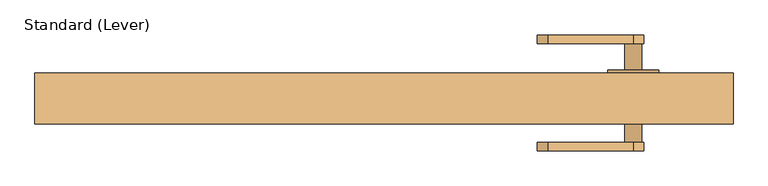
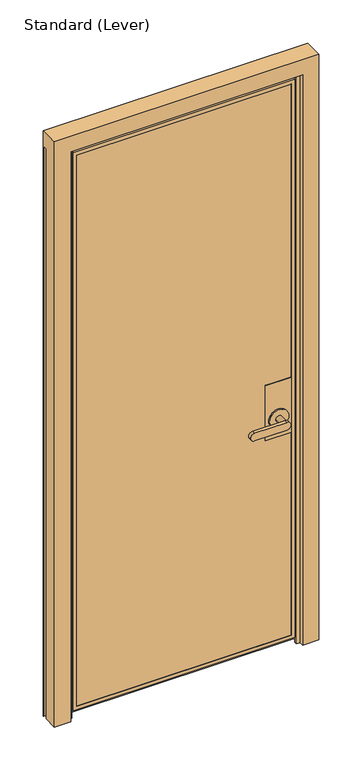
"""IFC4 building model written with IfcOpenShell, lengths in millimetres: door geometry, Standard (Lever)."""

from ifc_helpers import new_model, si_unit, frame, origin, place, context, project, spatial, polyline, circle_curve, outline, extrude, faceted_brep, source, transform, mapped, element, save
from ifc_brep_helpers import plane_surface, cylinder_surface, advanced_brep


def standard_lever_3caf377e(model_context):
    return source(origin(), model_context, "Body", "SolidModel", [
        faceted_brep([(422.275, -9.525, 1117.6), (422.275, 26.9875, 1117.6), (320.675, 26.9875, 1117.6), (320.675, -9.525, 1117.6), (422.275, -9.525, 889.0), (320.675, -9.525, 889.0), (320.675, 26.9875, 889.0), (422.275, 26.9875, 889.0)], [[[0, 1, 2, 3]], [[4, 5, 6, 7]], [[1, 0, 4, 7]], [[2, 1, 7, 6]], [[3, 2, 6, 5]], [[0, 3, 5, 4]]]),
        advanced_brep(
        [(422.275, 36.5125, 1117.6), (422.275, 38.1, 1117.6), (320.675, 38.1, 1117.6), (320.675, 36.5125, 1117.6), (422.275, 36.5125, 889.0), (320.675, 36.5125, 889.0), (320.675, 38.1, 889.0), (422.275, 38.1, 889.0), (333.375, 38.1, 965.2), (409.575, 38.1, 965.2), (409.575, 42.8625, 965.2), (333.375, 42.8625, 965.2), (358.775, 42.8625, 965.2), (384.175, 42.8625, 965.2), (384.175, 82.55, 965.2), (358.775, 82.55, 965.2), (244.475, 95.25, 949.325), (244.475, 95.25, 981.075), (371.475, 95.25, 981.075), (371.475, 95.25, 949.325), (244.475, 82.55, 949.325), (371.475, 82.55, 949.325), (371.475, 82.55, 981.075), (244.475, 82.55, 981.075)],
        [
            (0, 1),
            (1, 2),
            (2, 3),
            (3, 0),
            (4, 5),
            (5, 6),
            (6, 7),
            (7, 4),
            (0, 4),
            (7, 1),
            (6, 2),
            (8, 9, circle_curve(frame((371.475, 38.1, 965.2), z_axis=(0.0, -1.0, 0.0), x_axis=(-1.0, 0.0, 0.0)), 38.1)),
            (9, 8, circle_curve(frame((371.475, 38.1, 965.2), z_axis=(0.0, -1.0, 0.0), x_axis=(-1.0, 0.0, 0.0)), 38.1)),
            (5, 3),
            (10, 11, circle_curve(frame((371.475, 42.8625, 965.2), z_axis=(0.0, 1.0, 0.0), x_axis=(-1.0, 0.0, 0.0)), 38.1)),
            (11, 10, circle_curve(frame((371.475, 42.8625, 965.2), z_axis=(0.0, 1.0, 0.0), x_axis=(-1.0, 0.0, 0.0)), 38.1)),
            (12, 13, circle_curve(frame((371.475, 42.8625, 965.2), z_axis=(0.0, -1.0, 0.0), x_axis=(-1.0, 0.0, 0.0)), 12.7)),
            (13, 12, circle_curve(frame((371.475, 42.8625, 965.2), z_axis=(0.0, -1.0, 0.0), x_axis=(-1.0, 0.0, 0.0)), 12.7)),
            (10, 9),
            (8, 11),
            (14, 13),
            (12, 15),
            (15, 14, circle_curve(frame((371.475, 82.55, 965.2), z_axis=(0.0, -1.0, 0.0), x_axis=(-1.0, 0.0, 0.0)), 12.7)),
            (14, 15, circle_curve(frame((371.475, 82.55, 965.2), z_axis=(0.0, -1.0, 0.0), x_axis=(-1.0, 0.0, 0.0)), 12.7)),
            (16, 17, circle_curve(frame((244.475, 95.25, 965.2), z_axis=(0.0, 1.0, 0.0), x_axis=(-1.0, 0.0, 0.0)), 15.875)),
            (17, 18),
            (18, 19, circle_curve(frame((371.475, 95.25, 965.2), z_axis=(0.0, 1.0, 0.0), x_axis=(-1.0, 0.0, 0.0)), 15.875)),
            (19, 16),
            (20, 21),
            (21, 22, circle_curve(frame((371.475, 82.55, 965.2), z_axis=(0.0, -1.0, 0.0), x_axis=(-1.0, 0.0, 0.0)), 15.875)),
            (22, 23),
            (23, 20, circle_curve(frame((244.475, 82.55, 965.2), z_axis=(0.0, -1.0, 0.0), x_axis=(-1.0, 0.0, 0.0)), 15.875)),
            (16, 20),
            (23, 17),
            (22, 18),
            (21, 19),
        ],
        [
            plane_surface(frame((422.275, -20.6375, 1117.6), z_axis=(0.0, 0.0, 1.0), x_axis=(0.0, 1.0, 0.0))),
            plane_surface(frame((422.275, -20.6375, 889.0), z_axis=(0.0, 0.0, -1.0), x_axis=(0.0, -1.0, 0.0))),
            plane_surface(frame((422.275, 36.5125, 1117.6), z_axis=(1.0, 0.0, 0.0), x_axis=(0.0, 0.0, -1.0))),
            plane_surface(frame((422.275, 38.1, 1117.6), z_axis=(0.0, 1.0, 0.0), x_axis=(0.0, 0.0, -1.0))),
            plane_surface(frame((320.675, 38.1, 1117.6), z_axis=(-1.0, 0.0, 0.0), x_axis=(0.0, 0.0, -1.0))),
            plane_surface(frame((320.675, 36.5125, 1117.6), z_axis=(0.0, -1.0, 0.0), x_axis=(0.0, 0.0, -1.0))),
            plane_surface(frame((333.375, 42.8625, 965.2), z_axis=(0.0, 1.0, 0.0), x_axis=(0.0, 0.0, 1.0))),
            cylinder_surface(frame((371.475, 38.1, 965.2), z_axis=(0.0, 1.0, 0.0), x_axis=(-1.0, 0.0, 0.0)), 38.1),
            cylinder_surface(frame((371.475, 38.1, 965.2), z_axis=(0.0, 1.0, 0.0), x_axis=(-1.0, 0.0, 0.0)), 12.7),
            plane_surface(frame((228.6, 95.25, 965.2), z_axis=(0.0, 1.0, 0.0), x_axis=(0.0, 0.0, 1.0))),
            plane_surface(frame((228.6, 82.55, 965.2), z_axis=(0.0, -1.0, 0.0), x_axis=(0.0, 0.0, -1.0))),
            cylinder_surface(frame((244.475, 82.55, 965.2), z_axis=(0.0, 1.0, 0.0), x_axis=(-1.0, 0.0, 0.0)), 15.875),
            plane_surface(frame((244.475, 95.25, 981.075), z_axis=(0.0, 0.0, 1.0), x_axis=(0.0, -1.0, 0.0))),
            cylinder_surface(frame((371.475, 82.55, 965.2), z_axis=(0.0, 1.0, 0.0), x_axis=(-1.0, 0.0, 0.0)), 15.875),
            plane_surface(frame((371.475, 95.25, 949.325), z_axis=(0.0, 0.0, -1.0), x_axis=(0.0, -1.0, 0.0))),
        ],
        [
            (0, [[1, 2, 3, 4]]),
            (1, [[5, 6, 7, 8]]),
            (2, [[-1, 9, -8, 10]]),
            (3, [[-2, -10, -7, 11], [12, 13]]),
            (4, [[-3, -11, -6, 14]]),
            (5, [[-4, -14, -5, -9]]),
            (6, [[15, 16], [17, 18]]),
            (7, [[-15, 19, -12, 20]]),
            (7, [[-16, -20, -13, -19]]),
            (8, [[21, -17, 22, 23]]),
            (8, [[-21, 24, -22, -18]]),
            (9, [[25, 26, 27, 28]]),
            (10, [[29, 30, 31, 32], [-23, -24]]),
            (11, [[-25, 33, -32, 34]]),
            (12, [[-26, -34, -31, 35]]),
            (13, [[-27, -35, -30, 36]]),
            (14, [[-28, -36, -29, -33]]),
        ],
    ),
        advanced_brep(
        [(422.275, -20.6375, 1117.6), (422.275, -19.05, 1117.6), (320.737178, -19.05, 1117.6), (320.737178, -20.6375, 1117.6), (422.275, -20.6375, 889.0), (320.737178, -20.6375, 889.0), (320.737178, -19.05, 889.0), (422.275, -19.05, 889.0), (384.175, -25.4, 965.2), (384.175, -65.0875, 965.2), (358.775, -65.0875, 965.2), (358.775, -25.4, 965.2), (409.575, -25.4, 965.2), (333.375, -25.4, 965.2), (333.375, -20.6375, 965.2), (409.575, -20.6375, 965.2), (371.475, -65.0875, 949.325), (244.475, -65.0875, 949.325), (244.475, -65.0875, 981.075), (371.475, -65.0875, 981.075), (371.475, -77.7875, 949.325), (371.475, -77.7875, 981.075), (244.475, -77.7875, 981.075), (244.475, -77.7875, 949.325)],
        [
            (0, 1),
            (1, 2),
            (2, 3),
            (3, 0),
            (4, 5),
            (5, 6),
            (6, 7),
            (7, 4),
            (8, 9),
            (9, 10, circle_curve(frame((371.475, -65.0875, 965.2), z_axis=(0.0, 1.0, 0.0), x_axis=(-1.0, 0.0, 0.0)), 12.7)),
            (10, 11),
            (11, 8, circle_curve(frame((371.475, -25.4, 965.2), z_axis=(0.0, -1.0, 0.0), x_axis=(-1.0, 0.0, 0.0)), 12.7)),
            (8, 11, circle_curve(frame((371.475, -25.4, 965.2), z_axis=(0.0, -1.0, 0.0), x_axis=(-1.0, 0.0, 0.0)), 12.7)),
            (10, 9, circle_curve(frame((371.475, -65.0875, 965.2), z_axis=(0.0, 1.0, 0.0), x_axis=(-1.0, 0.0, 0.0)), 12.7)),
            (12, 13, circle_curve(frame((371.475, -25.4, 965.2), z_axis=(0.0, -1.0, 0.0), x_axis=(-1.0, 0.0, 0.0)), 38.1)),
            (13, 12, circle_curve(frame((371.475, -25.4, 965.2), z_axis=(0.0, -1.0, 0.0), x_axis=(-1.0, 0.0, 0.0)), 38.1)),
            (13, 14),
            (14, 15, circle_curve(frame((371.475, -20.6375, 965.2), z_axis=(0.0, -1.0, 0.0), x_axis=(-1.0, 0.0, 0.0)), 38.1)),
            (15, 12),
            (15, 14, circle_curve(frame((371.475, -20.6375, 965.2), z_axis=(0.0, -1.0, 0.0), x_axis=(-1.0, 0.0, 0.0)), 38.1)),
            (16, 17),
            (17, 18, circle_curve(frame((244.475, -65.0875, 965.2), z_axis=(0.0, 1.0, 0.0), x_axis=(-1.0, 0.0, 0.0)), 15.875)),
            (18, 19),
            (19, 16, circle_curve(frame((371.475, -65.0875, 965.2), z_axis=(0.0, 1.0, 0.0), x_axis=(-1.0, 0.0, 0.0)), 15.875)),
            (20, 21, circle_curve(frame((371.475, -77.7875, 965.2), z_axis=(0.0, -1.0, 0.0), x_axis=(-1.0, 0.0, 0.0)), 15.875)),
            (21, 22),
            (22, 23, circle_curve(frame((244.475, -77.7875, 965.2), z_axis=(0.0, -1.0, 0.0), x_axis=(-1.0, 0.0, 0.0)), 15.875)),
            (23, 20),
            (16, 20),
            (23, 17),
            (22, 18),
            (21, 19),
            (0, 4),
            (7, 1),
            (6, 2),
            (5, 3),
        ],
        [
            plane_surface(frame((422.275, -20.6375, 1117.6), z_axis=(0.0, 0.0, 1.0), x_axis=(0.0, 1.0, 0.0))),
            plane_surface(frame((422.275, -20.6375, 889.0), z_axis=(0.0, 0.0, -1.0), x_axis=(0.0, -1.0, 0.0))),
            cylinder_surface(frame((371.475, -65.0875, 965.2), z_axis=(0.0, 1.0, 0.0), x_axis=(-1.0, 0.0, 0.0)), 12.7),
            plane_surface(frame((333.375, -25.4, 965.2), z_axis=(0.0, -1.0, 0.0), x_axis=(0.0, 0.0, -1.0))),
            cylinder_surface(frame((371.475, -25.4, 965.2), z_axis=(0.0, 1.0, 0.0), x_axis=(-1.0, 0.0, 0.0)), 38.1),
            plane_surface(frame((371.475, -65.0875, 949.325), z_axis=(0.0, 1.0, 0.0), x_axis=(-1.0, 0.0, 0.0))),
            plane_surface(frame((371.475, -77.7875, 949.325), z_axis=(0.0, -1.0, 0.0), x_axis=(1.0, 0.0, 0.0))),
            plane_surface(frame((371.475, -65.0875, 949.325), z_axis=(0.0, 0.0, -1.0), x_axis=(0.0, -1.0, 0.0))),
            cylinder_surface(frame((244.475, -77.7875, 965.2), z_axis=(0.0, 1.0, 0.0), x_axis=(-1.0, 0.0, 0.0)), 15.875),
            plane_surface(frame((244.475, -65.0875, 981.075), z_axis=(0.0, 0.0, 1.0), x_axis=(0.0, -1.0, 0.0))),
            cylinder_surface(frame((371.475, -77.7875, 965.2), z_axis=(0.0, 1.0, 0.0), x_axis=(-1.0, 0.0, 0.0)), 15.875),
            plane_surface(frame((422.275, -20.6375, 1117.6), z_axis=(1.0, 0.0, 0.0), x_axis=(0.0, 0.0, -1.0))),
            plane_surface(frame((422.275, -19.05, 1117.6), z_axis=(0.0, 1.0, 0.0), x_axis=(0.0, 0.0, -1.0))),
            plane_surface(frame((320.737178, -19.05, 1117.6), z_axis=(-1.0, 0.0, 0.0), x_axis=(0.0, 0.0, -1.0))),
            plane_surface(frame((320.737178, -20.6375, 1117.6), z_axis=(0.0, -1.0, 0.0), x_axis=(0.0, 0.0, -1.0))),
        ],
        [
            (0, [[1, 2, 3, 4]]),
            (1, [[5, 6, 7, 8]]),
            (2, [[9, 10, 11, 12]]),
            (2, [[-9, 13, -11, 14]]),
            (3, [[15, 16], [-12, -13]]),
            (4, [[-16, 17, 18, 19]]),
            (4, [[-15, -19, 20, -17]]),
            (5, [[21, 22, 23, 24], [-10, -14]]),
            (6, [[25, 26, 27, 28]]),
            (7, [[-21, 29, -28, 30]]),
            (8, [[-22, -30, -27, 31]]),
            (9, [[-23, -31, -26, 32]]),
            (10, [[-24, -32, -25, -29]]),
            (11, [[-1, 33, -8, 34]]),
            (12, [[-2, -34, -7, 35]]),
            (13, [[-3, -35, -6, 36]]),
            (14, [[-4, -36, -5, -33], [-18, -20]]),
        ],
    ),
        extrude(outline(polyline([(434.975, 36.5125), (434.975, 26.9875), (-434.975, 26.9875), (-434.975, 36.5125), (434.975, 36.5125)])), frame((0.0, 0.0, 30.1625), z_axis=(0.0, 0.0, 1.0), x_axis=(1.0, 0.0, 0.0)), (0.0, 0.0, 1.0), 2320.925),
        extrude(outline(polyline([(-434.975, -9.525), (434.975, -9.525), (434.975, -19.05), (-434.975, -19.05), (-434.975, -9.525)])), frame((0.0, 0.0, 30.1625), z_axis=(0.0, 0.0, 1.0), x_axis=(1.0, 0.0, 0.0)), (0.0, 0.0, 1.0), 2320.925),
        faceted_brep([(-434.975, 36.5125, 2351.0875), (-434.975, 26.9875, 2351.0875), (-434.975, 26.9875, 30.1625), (-434.975, 36.5125, 30.1625), (434.975, 26.9875, 2351.0875), (434.975, 26.9875, 30.1625), (-422.275, 26.9875, 42.8625), (422.275, 26.9875, 42.8625), (422.275, 26.9875, 2338.3875), (-422.275, 26.9875, 2338.3875), (434.975, 36.5125, 30.1625), (434.975, 36.5125, 2351.0875), (-422.275, 36.5125, 2338.3875), (422.275, 36.5125, 2338.3875), (422.275, 36.5125, 42.8625), (-422.275, 36.5125, 42.8625), (-422.275, 38.1, 2338.3875), (-422.275, 38.1, 42.8625), (422.275, 38.1, 42.8625), (-452.4375, 38.1, 2368.55), (452.4375, 38.1, 2368.55), (452.4375, 38.1, 12.7), (-452.4375, 38.1, 12.7), (422.275, 38.1, 2338.3875), (-452.4375, -6.35, 2368.55), (-452.4375, -6.35, 12.7), (452.4375, -6.35, 12.7), (452.4375, -6.35, 2368.55), (436.5625, -6.35, 2352.675), (436.5625, -6.35, 28.575), (-436.5625, -6.35, 28.575), (-436.5625, -6.35, 2352.675), (-422.275, -9.525, 2338.3875), (-422.275, -9.525, 42.8625), (-434.975, -9.525, 2351.0875), (-434.975, -9.525, 30.1625), (434.975, -9.525, 30.1625), (434.975, -9.525, 2351.0875), (422.275, -9.525, 2338.3875), (422.275, -9.525, 42.8625), (422.275, -19.05, 42.8625), (422.275, -20.6375, 42.8625), (422.275, -20.6375, 2338.3875), (422.275, -19.05, 2338.3875), (-436.5625, -20.6375, 28.575), (436.5625, -20.6375, 28.575), (436.5625, -20.6375, 2352.675), (-436.5625, -20.6375, 2352.675), (-422.275, -20.6375, 2338.3875), (-422.275, -20.6375, 42.8625), (-422.275, -19.05, 42.8625), (-422.275, -19.05, 2338.3875), (-434.975, -19.05, 2351.0875), (-434.975, -19.05, 30.1625), (434.975, -19.05, 2351.0875), (434.975, -19.05, 30.1625)], [[[0, 1, 2, 3]], [[1, 4, 5, 2], [6, 7, 8, 9]], [[3, 2, 5, 10]], [[3, 10, 11, 0], [12, 13, 14, 15]], [[16, 12, 15, 17]], [[17, 15, 14, 18]], [[19, 20, 21, 22], [17, 18, 23, 16]], [[24, 19, 22, 25]], [[25, 22, 21, 26]], [[24, 25, 26, 27], [28, 29, 30, 31]], [[10, 5, 4, 11]], [[18, 14, 13, 23]], [[26, 21, 20, 27]], [[9, 32, 33, 6]], [[34, 35, 36, 37], [38, 39, 33, 32]], [[6, 33, 39, 7]], [[7, 39, 38, 8]], [[40, 41, 42, 43]], [[44, 45, 46, 47], [48, 42, 41, 49]], [[50, 49, 41, 40]], [[51, 48, 49, 50]], [[44, 30, 29, 45]], [[45, 29, 28, 46]], [[47, 31, 30, 44]], [[34, 52, 53, 35]], [[54, 55, 53, 52], [51, 50, 40, 43]], [[35, 53, 55, 36]], [[36, 55, 54, 37]], [[11, 4, 1, 0]], [[23, 13, 12, 16]], [[27, 20, 19, 24]], [[8, 38, 32, 9]], [[43, 42, 48, 51]], [[46, 28, 31, 47]], [[37, 54, 52, 34]]]),
        faceted_brep([(457.2, -20.6375, 0.0), (442.9125, -20.6375, 0.0), (442.9125, -9.525, 0.0), (457.2, -9.525, 0.0), (457.2, 38.1, 0.0), (520.6999977, 38.1, 0.0), (520.6999977, 36.5125, 0.0), (519.1124977, 36.5125, 0.0), (519.1124977, 37.30625, 0.0), (488.95, 37.30625, 0.0), (488.95, 19.05, 0.0), (510.3742434, 19.05, 0.0), (511.374256, 18.0499874, 0.0), (509.8000186, 18.0499874, 0.0), (509.8000186, 16.24994, 0.0), (514.8000134, 16.24994, 0.0), (514.8000134, 18.0499874, 0.0), (513.2257405, 18.0499874, 0.0), (514.2257562, 19.0500031, 0.0), (520.7, 19.0500031, 0.0), (520.7, -38.1, 0.0), (457.2, -38.1, 0.0), (520.7, 19.0500031, 2374.9), (520.7, 36.5125, 2374.9), (520.7, 38.1, 2438.4), (520.7, -38.1, 2438.4), (514.2257562, 19.0500031, 2374.9), (519.1124977, 36.5125, 2374.9), (457.2, 38.1, 2374.9), (-457.2, 38.1, 2374.9), (-457.2, 38.1, 0.0), (-520.6999977, 38.1, 0.0), (-520.7, 38.1, 2438.4), (-520.7, -38.1, 2438.4), (-520.7, -38.1, 0.0), (-457.2, -38.1, 0.0), (-457.2, -38.1, 2374.9), (457.2, -38.1, 2374.9), (-457.2, -20.6375, 0.0), (-520.7, 19.0500031, 0.0), (-514.2257562, 19.0500031, 0.0), (-513.2257405, 18.0499874, 0.0), (-514.8000134, 18.0499874, 0.0), (-514.8000134, 16.24994, 0.0), (-509.8000186, 16.24994, 0.0), (-509.8000186, 18.0499874, 0.0), (-511.374256, 18.0499874, 0.0), (-510.3742434, 19.05, 0.0), (-488.95, 19.05, 0.0), (-488.95, 37.30625, 0.0), (-519.1124977, 37.30625, 0.0), (-519.1124977, 36.5125, 0.0), (-520.6999977, 36.5125, 0.0), (-457.2, -9.525, 0.0), (-442.9125, -9.525, 0.0), (-442.9125, -20.6375, 0.0), (-520.7, 36.5125, 2374.9), (-520.7, 19.0500031, 2374.9), (-519.1124977, 36.5125, 2374.9), (-514.2257562, 19.0500031, 2374.9), (457.2, -9.525, 2374.9), (-457.2, -9.525, 2374.9), (-457.2, -20.6375, 2374.9), (-513.2257405, 18.0499874, 2374.9), (-514.8000134, 18.0499874, 2374.9), (-514.8000134, 16.24994, 2374.9), (-509.8000186, 16.24994, 2374.9), (-509.8000186, 18.0499874, 2374.9), (-511.374256, 18.0499874, 2374.9), (-510.3742434, 19.05, 2374.9), (-488.95, 19.05, 2374.9), (-488.95, 37.30625, 2374.9), (-519.1124977, 37.30625, 2374.9), (442.9125, -9.525, 2360.6125), (-442.9125, -9.525, 2360.6125), (-442.9125, -20.6375, 2360.6125), (442.9125, -20.6375, 2360.6125), (457.2, -20.6375, 2374.9), (519.1124977, 37.30625, 2374.9), (488.95, 37.30625, 2374.9), (488.95, 19.05, 2374.9), (510.3742434, 19.05, 2374.9), (511.374256, 18.0499874, 2374.9), (509.8000186, 18.0499874, 2374.9), (509.8000186, 16.24994, 2374.9), (514.8000134, 16.24994, 2374.9), (514.8000134, 18.0499874, 2374.9), (513.2257405, 18.0499874, 2374.9)], [[[0, 1, 2, 3, 4, 5, 6, 7, 8, 9, 10, 11, 12, 13, 14, 15, 16, 17, 18, 19, 20, 21]], [[20, 19, 22, 23, 6, 5, 24, 25]], [[19, 18, 26, 22]], [[7, 6, 23, 27]], [[24, 5, 4, 28, 29, 30, 31, 32]], [[20, 25, 33, 34, 35, 36, 37, 21]], [[38, 35, 34, 39, 40, 41, 42, 43, 44, 45, 46, 47, 48, 49, 50, 51, 52, 31, 30, 53, 54, 55]], [[39, 34, 33, 32, 31, 52, 56, 57]], [[52, 51, 58, 56]], [[40, 39, 57, 59]], [[4, 3, 60, 28]], [[53, 30, 29, 61]], [[35, 38, 62, 36]], [[41, 40, 59, 63]], [[42, 41, 63, 64]], [[43, 42, 64, 65]], [[44, 43, 65, 66]], [[45, 44, 66, 67]], [[46, 45, 67, 68]], [[47, 46, 68, 69]], [[48, 47, 69, 70]], [[49, 48, 70, 71]], [[50, 49, 71, 72]], [[51, 50, 72, 58]], [[54, 53, 61, 60, 3, 2, 73, 74]], [[55, 54, 74, 75]], [[38, 55, 75, 76, 1, 0, 77, 62]], [[2, 1, 76, 73]], [[8, 7, 27, 78]], [[9, 8, 78, 79]], [[10, 9, 79, 80]], [[11, 10, 80, 81]], [[12, 11, 81, 82]], [[13, 12, 82, 83]], [[14, 13, 83, 84]], [[15, 14, 84, 85]], [[16, 15, 85, 86]], [[17, 16, 86, 87]], [[18, 17, 87, 26]], [[77, 0, 21, 37]], [[23, 22, 26, 87, 86, 85, 84, 83, 82, 81, 80, 79, 78, 27]], [[57, 56, 58, 72, 71, 70, 69, 68, 67, 66, 65, 64, 63, 59]], [[60, 61, 29, 28]], [[24, 32, 33, 25]], [[36, 62, 77, 37]], [[75, 74, 73, 76]]]),
    ])


if __name__ == "__main__":
    model = new_model("IFC4")
    model_context = context("Model", 3, world=origin())
    ifc_project = project(units=[si_unit("LENGTHUNIT", "METRE", prefix="MILLI")], contexts=[model_context])
    site = spatial("IfcSite", under=ifc_project)
    building = spatial("IfcBuilding", under=site)
    placement = place(None, origin())
    standard_lever_shape = standard_lever_3caf377e(model_context)
    element("IfcDoor", 1, ObjectType="Standard (Lever)", at=placement, inside=building, context=model_context, shape_type="MappedRepresentation", body=[
        mapped(standard_lever_shape, transform((0.0, 0.0, 0.0), x_axis=(1.0, 0.0, 0.0), y_axis=(0.0, 1.0, 0.0), z_axis=(0.0, 0.0, 1.0))),
    ])
    save(model, "model.ifc")
